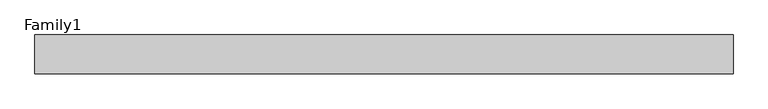
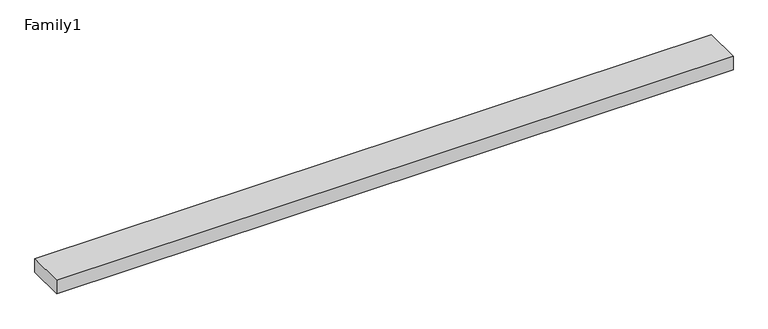
"""IFC4 building model written with IfcOpenShell, lengths in millimetres: proxy geometry, Family1."""

from ifc_helpers import new_model, si_unit, origin, origin_with_axes, place, context, project, spatial, polyline, outline, extrude, source, transform, mapped, element, save


def family1_99bbf95a(model_context):
    return source(origin(), model_context, "Body", "SweptSolid", [
        extrude(outline(polyline([(90000.0, 0.0), (0.0, 0.0), (0.0, 5000.0), (90000.0, 5000.0), (90000.0, 0.0)])), origin_with_axes(), (0.0, 0.0, 1.0), 1885.0),
    ])


if __name__ == "__main__":
    model = new_model("IFC4")
    model_context = context("Model", 3, world=origin())
    ifc_project = project(units=[si_unit("LENGTHUNIT", "METRE", prefix="MILLI")], contexts=[model_context])
    site = spatial("IfcSite", under=ifc_project)
    building = spatial("IfcBuilding", under=site)
    placement = place(None, origin())
    family1_shape = family1_99bbf95a(model_context)
    element("IfcBuildingElementProxy", 1, Name="Family1", ObjectType="Family1", at=placement, inside=building, context=model_context, shape_type="MappedRepresentation", body=[
        mapped(family1_shape, transform((0.0, 0.0, 0.0), x_axis=(1.0, 0.0, 0.0), y_axis=(0.0, 1.0, 0.0), z_axis=(0.0, 0.0, 1.0))),
    ])
    save(model, "model.ifc")
